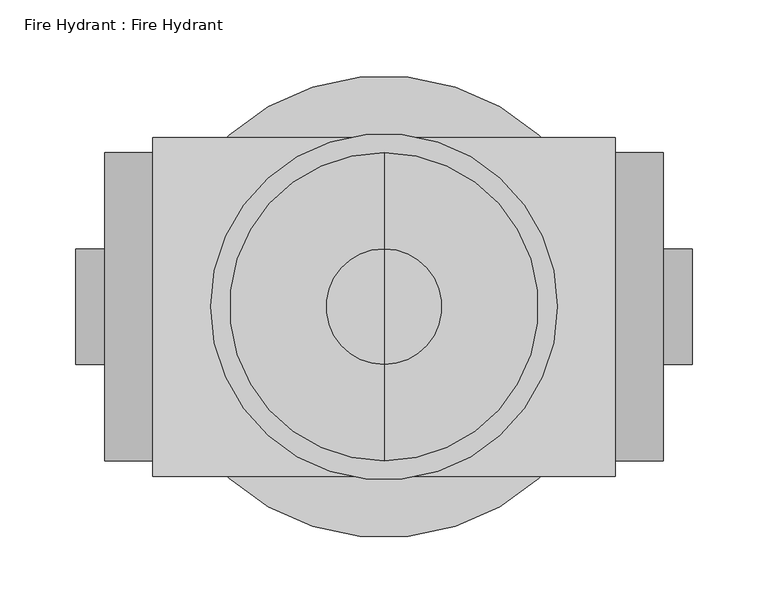
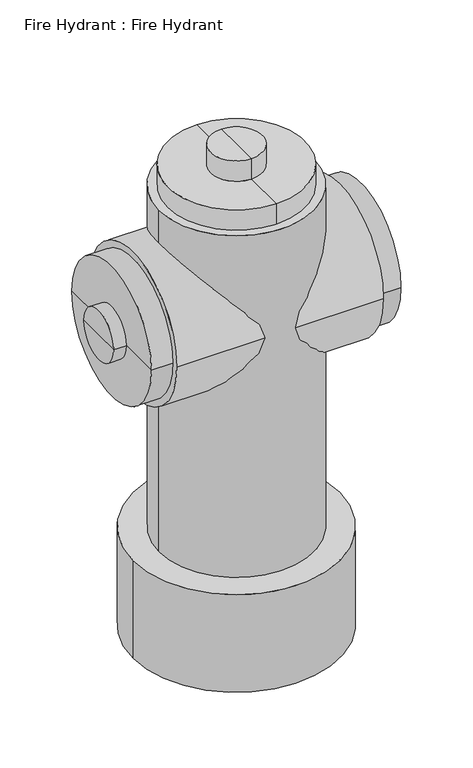
"""IFC4 building model written with IfcOpenShell, lengths in millimetres: geographic element geometry, Fire Hydrant : Fire Hydrant."""

from ifc_helpers import new_model, si_unit, point, frame, frame_2d, origin, origin_with_axes, origin_2d, place, context, project, spatial, circle_curve, trimmed, segment, composite_curve, outline, extrude, source, transform, mapped, element, save
from ifc_brep_helpers import plane_surface, cylinder_surface, advanced_brep


def fire_hydrant_fire_hydrant_4a70fc30(model_context):
    return source(origin(), model_context, "Body", "SolidModel", [
        advanced_brep(
        [(0.0, 0.0, 558.8), (0.0, -101.6, 558.8), (0.0, 101.6, 558.8), (0.0, 38.1, 622.3), (0.0, -38.1, 622.3), (0.0, 0.0, 622.3), (0.0, 38.1, 590.55), (0.0, -38.1, 590.55), (0.0, 101.6, 590.55), (0.0, -101.6, 590.55)],
        [
            (0, 1),
            (1, 2, circle_curve(frame((0.0, 0.0, 558.8), z_axis=(0.0, 0.0, -1.0), x_axis=(0.0, -1.0, 0.0)), 101.6)),
            (2, 0),
            (2, 1, circle_curve(frame((0.0, 0.0, 558.8), z_axis=(0.0, 0.0, -1.0), x_axis=(0.0, -1.0, 0.0)), 101.6)),
            (3, 4, circle_curve(frame((0.0, 0.0, 622.3), z_axis=(0.0, 0.0, 1.0), x_axis=(0.0, -1.0, 0.0)), 38.1)),
            (4, 5),
            (5, 3),
            (4, 3, circle_curve(frame((0.0, 0.0, 622.3), z_axis=(0.0, 0.0, 1.0), x_axis=(0.0, -1.0, 0.0)), 38.1)),
            (6, 7, circle_curve(frame((0.0, 0.0, 590.55), z_axis=(0.0, 0.0, 1.0), x_axis=(0.0, -1.0, 0.0)), 38.1)),
            (7, 4),
            (3, 6),
            (7, 6, circle_curve(frame((0.0, 0.0, 590.55), z_axis=(0.0, 0.0, 1.0), x_axis=(0.0, -1.0, 0.0)), 38.1)),
            (8, 9, circle_curve(frame((0.0, 0.0, 590.55), z_axis=(0.0, 0.0, 1.0), x_axis=(0.0, -1.0, 0.0)), 101.6)),
            (9, 7),
            (6, 8),
            (9, 8, circle_curve(frame((0.0, 0.0, 590.55), z_axis=(0.0, 0.0, 1.0), x_axis=(0.0, -1.0, 0.0)), 101.6)),
            (1, 9),
            (8, 2),
        ],
        [
            plane_surface(frame((0.0, 0.0, 558.8), z_axis=(0.0, 0.0, -1.0), x_axis=(0.0, -1.0, 0.0))),
            plane_surface(frame((0.0, 0.0, 622.3), z_axis=(0.0, 0.0, 1.0), x_axis=(0.0, -1.0, 0.0))),
            cylinder_surface(frame((0.0, 0.0, 723.9), z_axis=(0.0, 0.0, -1.0), x_axis=(0.0, -1.0, 0.0)), 38.1),
            plane_surface(frame((0.0, 0.0, 590.55), z_axis=(0.0, 0.0, 1.0), x_axis=(0.0, -1.0, 0.0))),
            cylinder_surface(frame((0.0, 0.0, 723.9), z_axis=(0.0, 0.0, -1.0), x_axis=(0.0, -1.0, 0.0)), 101.6),
        ],
        [
            (0, [[1, 2, 3]]),
            (0, [[-3, 4, -1]]),
            (1, [[5, 6, 7]]),
            (1, [[8, -7, -6]]),
            (2, [[9, 10, -5, 11]]),
            (2, [[12, -11, -8, -10]]),
            (3, [[13, 14, -9, 15]]),
            (3, [[16, -15, -12, -14]]),
            (4, [[-2, 17, -13, 18]]),
            (4, [[-4, -18, -16, -17]]),
        ],
    ),
        advanced_brep(
        [(152.4, 0.0, 395.2562041), (152.4, 101.6, 395.2562041), (152.4, -101.6, 395.2562041), (203.2, -38.1, 395.2562041), (203.2, 38.1, 395.2562041), (203.2, 0.0, 395.2562041), (184.15, -38.1, 395.2562041), (184.15, 38.1, 395.2562041), (184.15, -101.6, 395.2562041), (184.15, 101.6, 395.2562041)],
        [
            (0, 1),
            (1, 2, circle_curve(frame((152.4, 0.0, 395.2562041), z_axis=(-1.0, 0.0, 0.0), x_axis=(0.0, 1.0, 0.0)), 101.6)),
            (2, 0),
            (2, 1, circle_curve(frame((152.4, 0.0, 395.2562041), z_axis=(-1.0, 0.0, 0.0), x_axis=(0.0, 1.0, 0.0)), 101.6)),
            (3, 4, circle_curve(frame((203.2, 0.0, 395.2562041), z_axis=(1.0, 0.0, 0.0), x_axis=(0.0, 1.0, 0.0)), 38.1)),
            (4, 5),
            (5, 3),
            (4, 3, circle_curve(frame((203.2, 0.0, 395.2562041), z_axis=(1.0, 0.0, 0.0), x_axis=(0.0, 1.0, 0.0)), 38.1)),
            (6, 7, circle_curve(frame((184.15, 0.0, 395.2562041), z_axis=(1.0, 0.0, 0.0), x_axis=(0.0, 1.0, 0.0)), 38.1)),
            (7, 4),
            (3, 6),
            (7, 6, circle_curve(frame((184.15, 0.0, 395.2562041), z_axis=(1.0, 0.0, 0.0), x_axis=(0.0, 1.0, 0.0)), 38.1)),
            (8, 9, circle_curve(frame((184.15, 0.0, 395.2562041), z_axis=(1.0, 0.0, 0.0), x_axis=(0.0, 1.0, 0.0)), 101.6)),
            (9, 7),
            (6, 8),
            (9, 8, circle_curve(frame((184.15, 0.0, 395.2562041), z_axis=(1.0, 0.0, 0.0), x_axis=(0.0, 1.0, 0.0)), 101.6)),
            (1, 9),
            (8, 2),
        ],
        [
            plane_surface(frame((152.4, 0.0, 395.2562041), z_axis=(-1.0, 0.0, 0.0), x_axis=(0.0, 1.0, 0.0))),
            plane_surface(frame((203.2, 0.0, 395.2562041), z_axis=(1.0, 0.0, 0.0), x_axis=(0.0, 1.0, 0.0))),
            cylinder_surface(frame((-254.0, 0.0, 395.2562041), z_axis=(-1.0, 0.0, 0.0), x_axis=(0.0, 1.0, 0.0)), 38.1),
            plane_surface(frame((184.15, 0.0, 395.2562041), z_axis=(1.0, 0.0, 0.0), x_axis=(0.0, 1.0, 0.0))),
            cylinder_surface(frame((-254.0, 0.0, 395.2562041), z_axis=(-1.0, 0.0, 0.0), x_axis=(0.0, 1.0, 0.0)), 101.6),
        ],
        [
            (0, [[1, 2, 3]]),
            (0, [[-3, 4, -1]]),
            (1, [[5, 6, 7]]),
            (1, [[8, -7, -6]]),
            (2, [[9, 10, -5, 11]]),
            (2, [[12, -11, -8, -10]]),
            (3, [[13, 14, -9, 15]]),
            (3, [[16, -15, -12, -14]]),
            (4, [[-2, 17, -13, 18]]),
            (4, [[-4, -18, -16, -17]]),
        ],
    ),
        advanced_brep(
        [(-184.15, -101.6, 395.2562041), (-184.15, 101.6, 395.2562041), (-152.4, 101.6, 395.2562041), (-152.4, -101.6, 395.2562041), (-184.15, -38.1, 395.2562041), (-184.15, 38.1, 395.2562041), (-203.2, -38.1, 395.2562041), (-203.2, 38.1, 395.2562041), (-203.2, 0.0, 395.2562041), (-152.4, 0.0, 395.2562041)],
        [
            (0, 1, circle_curve(frame((-184.15, 0.0, 395.2562041), z_axis=(1.0, 0.0, 0.0), x_axis=(0.0, 1.0, 0.0)), 101.6)),
            (1, 2),
            (2, 3, circle_curve(frame((-152.4, 0.0, 395.2562041), z_axis=(-1.0, 0.0, 0.0), x_axis=(0.0, 1.0, 0.0)), 101.6)),
            (3, 0),
            (1, 0, circle_curve(frame((-184.15, 0.0, 395.2562041), z_axis=(1.0, 0.0, 0.0), x_axis=(0.0, 1.0, 0.0)), 101.6)),
            (3, 2, circle_curve(frame((-152.4, 0.0, 395.2562041), z_axis=(-1.0, 0.0, 0.0), x_axis=(0.0, 1.0, 0.0)), 101.6)),
            (4, 5, circle_curve(frame((-184.15, 0.0, 395.2562041), z_axis=(1.0, 0.0, 0.0), x_axis=(0.0, 1.0, 0.0)), 38.1)),
            (5, 1),
            (0, 4),
            (5, 4, circle_curve(frame((-184.15, 0.0, 395.2562041), z_axis=(1.0, 0.0, 0.0), x_axis=(0.0, 1.0, 0.0)), 38.1)),
            (6, 7, circle_curve(frame((-203.2, 0.0, 395.2562041), z_axis=(1.0, 0.0, 0.0), x_axis=(0.0, 1.0, 0.0)), 38.1)),
            (7, 5),
            (4, 6),
            (7, 6, circle_curve(frame((-203.2, 0.0, 395.2562041), z_axis=(1.0, 0.0, 0.0), x_axis=(0.0, 1.0, 0.0)), 38.1)),
            (8, 7),
            (6, 8),
            (2, 9),
            (9, 3),
        ],
        [
            cylinder_surface(frame((-254.0, 0.0, 395.2562041), z_axis=(-1.0, 0.0, 0.0), x_axis=(0.0, 1.0, 0.0)), 101.6),
            plane_surface(frame((-184.15, 0.0, 395.2562041), z_axis=(-1.0, 0.0, 0.0), x_axis=(0.0, 1.0, 0.0))),
            cylinder_surface(frame((-254.0, 0.0, 395.2562041), z_axis=(-1.0, 0.0, 0.0), x_axis=(0.0, 1.0, 0.0)), 38.1),
            plane_surface(frame((-203.2, 0.0, 395.2562041), z_axis=(-1.0, 0.0, 0.0), x_axis=(0.0, 1.0, 0.0))),
            plane_surface(frame((-152.4, 0.0, 395.2562041), z_axis=(1.0, 0.0, 0.0), x_axis=(0.0, 1.0, 0.0))),
        ],
        [
            (0, [[1, 2, 3, 4]]),
            (0, [[5, -4, 6, -2]]),
            (1, [[7, 8, -1, 9]]),
            (1, [[10, -9, -5, -8]]),
            (2, [[11, 12, -7, 13]]),
            (2, [[14, -13, -10, -12]]),
            (3, [[15, -11, 16]]),
            (3, [[-16, -14, -15]]),
            (4, [[-3, 17, 18]]),
            (4, [[-6, -18, -17]]),
        ],
    ),
        extrude(outline(composite_curve([segment(trimmed(circle_curve(origin_2d(), 152.4), [point((-152.4, 0.0))], [point((152.4, 0.0))], False, "CARTESIAN"), True, "CONTINUOUS"), segment(trimmed(circle_curve(origin_2d(), 152.4), [point((152.4, 0.0))], [point((-152.4, 0.0))], False, "CARTESIAN"), True, "CONTINUOUS")], self_intersect=False)), frame((0.0, 0.0, -127.0), z_axis=(0.0, 0.0, 1.0), x_axis=(1.0, 0.0, 0.0)), (0.0, 0.0, 1.0), 152.4),
        extrude(outline(composite_curve([segment(trimmed(circle_curve(frame_2d((0.0, 395.2562041)), 111.76), [point((-111.76, 395.2562041))], [point((111.76, 395.2562041))], False, "CARTESIAN"), True, "CONTINUOUS"), segment(trimmed(circle_curve(frame_2d((0.0, 395.2562041)), 111.76), [point((111.76, 395.2562041))], [point((-111.76, 395.2562041))], False, "CARTESIAN"), True, "CONTINUOUS")], self_intersect=False)), frame((-152.4, 0.0, 0.0), z_axis=(1.0, 0.0, 0.0), x_axis=(0.0, 1.0, 0.0)), (0.0, 0.0, 1.0), 304.8),
        extrude(outline(composite_curve([segment(trimmed(circle_curve(origin_2d(), 114.3), [point((-114.3, 0.0))], [point((114.3, 0.0))], False, "CARTESIAN"), True, "CONTINUOUS"), segment(trimmed(circle_curve(origin_2d(), 114.3), [point((114.3, 0.0))], [point((-114.3, 0.0))], False, "CARTESIAN"), True, "CONTINUOUS")], self_intersect=False)), origin_with_axes(), (0.0, 0.0, 1.0), 558.8),
    ])


if __name__ == "__main__":
    model = new_model("IFC4")
    model_context = context("Model", 3, world=origin())
    ifc_project = project(units=[si_unit("LENGTHUNIT", "METRE", prefix="MILLI")], contexts=[model_context])
    site = spatial("IfcSite", under=ifc_project)
    building = spatial("IfcBuilding", under=site)
    placement = place(None, origin())
    fire_hydrant_fire_hydrant_shape = fire_hydrant_fire_hydrant_4a70fc30(model_context)
    element("IfcGeographicElement", 1, ObjectType="Fire Hydrant : Fire Hydrant", at=placement, inside=building, context=model_context, shape_type="MappedRepresentation", body=[
        mapped(fire_hydrant_fire_hydrant_shape, transform((0.0, 0.0, 0.0), x_axis=(1.0, 0.0, 0.0), y_axis=(0.0, 1.0, 0.0), z_axis=(0.0, 0.0, 1.0))),
    ])
    save(model, "model.ifc")
